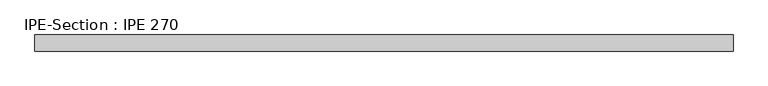
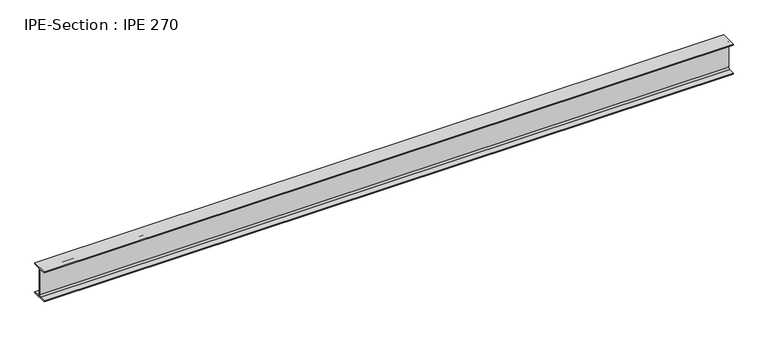
"""IFC4 building model written with IfcOpenShell, lengths in millimetres: beam geometry, IPE-Section : IPE 270."""

from ifc_helpers import new_model, si_unit, point, frame, frame_2d, origin, place, context, project, spatial, polyline, circle_curve, trimmed, segment, composite_curve, outline, extrude, source, transform, mapped, element, save


def ipe_section_ipe_270_f0b585df(model_context):
    return source(origin(), model_context, "Body", "SweptSolid", [
        extrude(outline(composite_curve([segment(polyline([(-67.5, -124.8), (-18.3, -124.8)]), True, "CONTINUOUS"), segment(trimmed(circle_curve(frame_2d((-18.3, -109.8)), 15.0), [point((-18.3, -124.8))], [point((-3.3, -109.8))], True, "CARTESIAN"), True, "CONTINUOUS"), segment(polyline([(-3.3, -109.8), (-3.3, 109.8)]), True, "CONTINUOUS"), segment(trimmed(circle_curve(frame_2d((-18.3, 109.8)), 15.0), [point((-3.3, 109.8))], [point((-18.3, 124.8))], True, "CARTESIAN"), True, "CONTINUOUS"), segment(polyline([(-18.3, 124.8), (-67.5, 124.8), (-67.5, 135.0), (67.5, 135.0), (67.5, 124.8), (18.3, 124.8)]), True, "CONTINUOUS"), segment(trimmed(circle_curve(frame_2d((18.3, 109.8)), 15.0), [point((18.3, 124.8))], [point((3.3, 109.8))], True, "CARTESIAN"), True, "CONTINUOUS"), segment(polyline([(3.3, 109.8), (3.3, -109.8)]), True, "CONTINUOUS"), segment(trimmed(circle_curve(frame_2d((18.3, -109.8)), 15.0), [point((3.3, -109.8))], [point((18.3, -124.8))], True, "CARTESIAN"), True, "CONTINUOUS"), segment(polyline([(18.3, -124.8), (67.5, -124.8), (67.5, -135.0), (-67.5, -135.0), (-67.5, -124.8)]), True, "CONTINUOUS")], self_intersect=False)), frame((-2918.4865446, 0.0, 0.0), z_axis=(1.0, 0.0, 0.0), x_axis=(0.0, 1.0, 0.0)), (0.0, 0.0, 1.0), 5827.9547224),
    ])


if __name__ == "__main__":
    model = new_model("IFC4")
    model_context = context("Model", 3, world=origin())
    ifc_project = project(units=[si_unit("LENGTHUNIT", "METRE", prefix="MILLI")], contexts=[model_context])
    site = spatial("IfcSite", under=ifc_project)
    building = spatial("IfcBuilding", under=site)
    placement = place(None, origin())
    ipe_section_ipe_270_shape = ipe_section_ipe_270_f0b585df(model_context)
    element("IfcBeam", 1, ObjectType="IPE-Section : IPE 270", at=placement, inside=building, context=model_context, shape_type="MappedRepresentation", body=[
        mapped(ipe_section_ipe_270_shape, transform((0.0, 0.0, 0.0), x_axis=(1.0, 0.0, 0.0), y_axis=(0.0, 1.0, 0.0), z_axis=(0.0, 0.0, 1.0))),
    ])
    save(model, "model.ifc")
